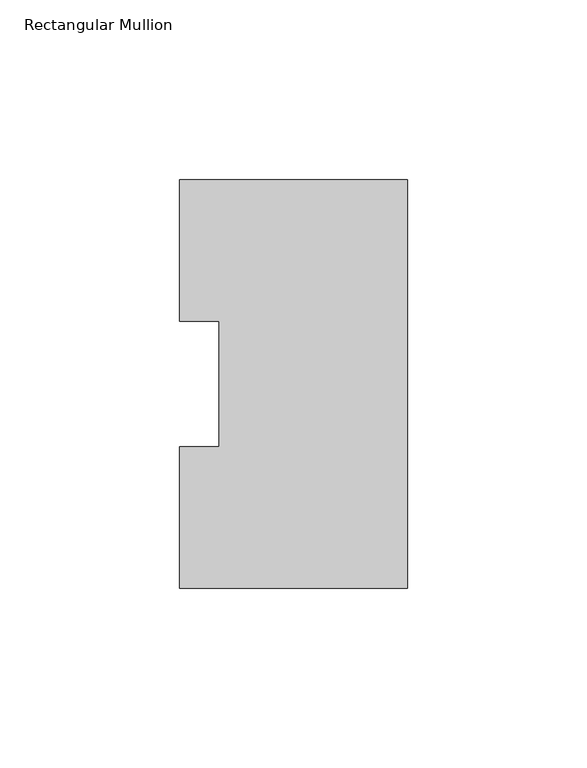
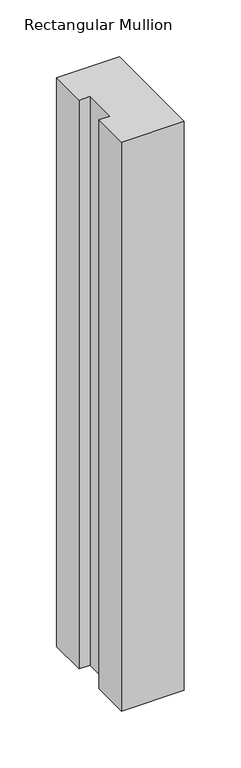
"""IFC4 building model written with IfcOpenShell, lengths in millimetres: member geometry, Rectangular Mullion."""

from ifc_helpers import new_model, si_unit, frame, origin, place, context, project, spatial, polyline, outline, extrude, source, transform, mapped, element, save


def rectangular_mullion_5813be4b(model_context):
    return source(origin(), model_context, "Body", "SweptSolid", [
        extrude(outline(polyline([(0.0, 114.017425), (0.0, 0.225425), (-63.5, 0.225425), (-63.5, 39.646225), (-52.3875, 39.646225), (-52.3875, 74.596625), (-63.5, 74.596625), (-63.5, 114.017425), (0.0, 114.017425)])), frame((0.0, 0.0, -609.5992063), z_axis=(0.0, 0.0, 1.0), x_axis=(1.0, 0.0, 0.0)), (0.0, 0.0, 1.0), 609.5992063),
    ])


if __name__ == "__main__":
    model = new_model("IFC4")
    model_context = context("Model", 3, world=origin())
    ifc_project = project(units=[si_unit("LENGTHUNIT", "METRE", prefix="MILLI")], contexts=[model_context])
    site = spatial("IfcSite", under=ifc_project)
    building = spatial("IfcBuilding", under=site)
    placement = place(None, origin())
    rectangular_mullion_shape = rectangular_mullion_5813be4b(model_context)
    element("IfcMember", 1, ObjectType="Rectangular Mullion", at=placement, inside=building, context=model_context, shape_type="MappedRepresentation", body=[
        mapped(rectangular_mullion_shape, transform((0.0, 0.0, 0.0), x_axis=(1.0, 0.0, 0.0), y_axis=(0.0, 1.0, 0.0), z_axis=(0.0, 0.0, 1.0))),
    ])
    save(model, "model.ifc")
